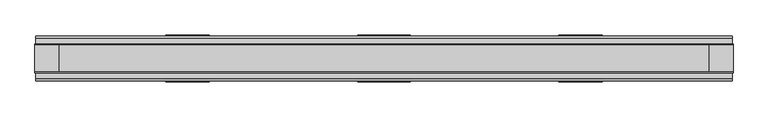
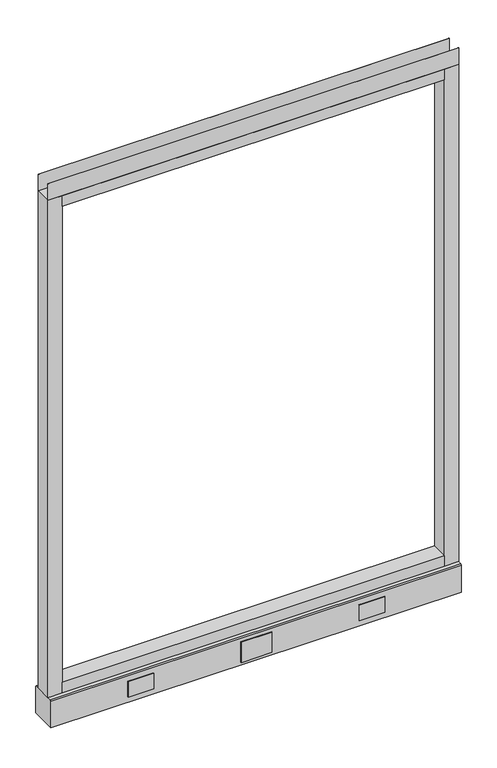
"""IFC4 building model written with IfcOpenShell, lengths in millimetres: furniture geometry."""

from ifc_helpers import new_model, si_unit, point, frame, frame_2d, origin, place, context, project, spatial, polyline, circle_curve, trimmed, segment, composite_curve, outline, extrude, source, transform, mapped, element, save
from ifc_brep_helpers import plane_surface, revolved_surface, advanced_brep


def furniture_805aba48(model_context):
    return source(origin(), model_context, "Body", "SolidModel", [
        advanced_brep(
        [(539.75, 0.0, 6.35), (565.15, 0.0, 6.35), (533.4, 0.0, 0.0), (571.5, 0.0, 0.0)],
        [
            (0, 1, circle_curve(frame((552.45, 0.0, 6.35), z_axis=(0.0, 0.0, 1.0), x_axis=(-1.0, 0.0, 0.0)), 12.7)),
            (1, 0, circle_curve(frame((552.45, 0.0, 6.35), z_axis=(0.0, 0.0, 1.0), x_axis=(1.0, 0.0, 0.0)), 12.7)),
            (2, 3, circle_curve(frame((552.45, 0.0, 0.0), z_axis=(0.0, 0.0, -1.0), x_axis=(1.0, 0.0, 0.0)), 19.05)),
            (3, 2, circle_curve(frame((552.45, 0.0, 0.0), z_axis=(0.0, 0.0, -1.0), x_axis=(-1.0, 0.0, 0.0)), 19.05)),
            (3, 1),
            (0, 2),
        ],
        [
            plane_surface(frame((552.45, 0.0, 6.35), z_axis=(0.0, 0.0, 1.0), x_axis=(0.0, -1.0, 0.0))),
            plane_surface(frame((552.45, 0.0, 0.0), z_axis=(0.0, 0.0, -1.0), x_axis=(0.0, -1.0, 0.0))),
            revolved_surface(polyline([(539.75, 0.0, 6.35), (533.4, 0.0, 0.0)]), (552.45, 0.0, 19.05), (0.0, 0.0, -1.0)),
            revolved_surface(polyline([(565.15, 0.0, 6.35), (571.5, 0.0, 0.0)]), (552.45, 0.0, 19.05), (0.0, 0.0, -1.0)),
        ],
        [
            (0, [[1, 2]]),
            (1, [[3, 4]]),
            (2, [[-4, 5, -1, 6]]),
            (3, [[-3, -6, -2, -5]]),
        ],
    ),
        advanced_brep(
        [(-565.15, 0.0, 6.35), (-539.75, 0.0, 6.35), (-571.5, 0.0, 0.0), (-533.4, 0.0, 0.0)],
        [
            (0, 1, circle_curve(frame((-552.45, 0.0, 6.35), z_axis=(0.0, 0.0, 1.0), x_axis=(-1.0, 0.0, 0.0)), 12.7)),
            (1, 0, circle_curve(frame((-552.45, 0.0, 6.35), z_axis=(0.0, 0.0, 1.0), x_axis=(1.0, 0.0, 0.0)), 12.7)),
            (2, 3, circle_curve(frame((-552.45, 0.0, 0.0), z_axis=(0.0, 0.0, -1.0), x_axis=(1.0, 0.0, 0.0)), 19.05)),
            (3, 2, circle_curve(frame((-552.45, 0.0, 0.0), z_axis=(0.0, 0.0, -1.0), x_axis=(-1.0, 0.0, 0.0)), 19.05)),
            (3, 1),
            (0, 2),
        ],
        [
            plane_surface(frame((-552.45, 0.0, 6.35), z_axis=(0.0, 0.0, 1.0), x_axis=(0.0, -1.0, 0.0))),
            plane_surface(frame((-552.45, 0.0, 0.0), z_axis=(0.0, 0.0, -1.0), x_axis=(0.0, -1.0, 0.0))),
            revolved_surface(polyline([(-565.15, 0.0, 6.35), (-571.5, 0.0, 0.0)]), (-552.45, 0.0, 19.05), (0.0, 0.0, -1.0)),
            revolved_surface(polyline([(-539.75, 0.0, 6.35), (-533.4, 0.0, 0.0)]), (-552.45, 0.0, 19.05), (0.0, 0.0, -1.0)),
        ],
        [
            (0, [[1, 2]]),
            (1, [[3, 4]]),
            (2, [[-4, 5, -1, 6]]),
            (3, [[-3, -6, -2, -5]]),
        ],
    ),
        extrude(outline(polyline([(381.0, 39.0921875), (304.8, 39.0921875), (304.8, 41.4020035), (381.0, 41.4020035), (381.0, 39.0921875)])), frame((0.0, 0.0, 32.512), z_axis=(0.0, 0.0, 1.0), x_axis=(1.0, 0.0, 0.0)), (0.0, 0.0, 1.0), 48.26),
        extrude(outline(polyline([(45.7708, 39.0921875), (-45.7708, 39.0921875), (-45.7708, 41.4020035), (45.7708, 41.4020035), (45.7708, 39.0921875)])), frame((0.0, 0.0, 23.8125), z_axis=(0.0, 0.0, 1.0), x_axis=(1.0, 0.0, 0.0)), (0.0, 0.0, 1.0), 63.5),
        extrude(outline(polyline([(-304.8, 39.0921875), (-381.0, 39.0921875), (-381.0, 41.4020035), (-304.8, 41.4020035), (-304.8, 39.0921875)])), frame((0.0, 0.0, 32.512), z_axis=(0.0, 0.0, 1.0), x_axis=(1.0, 0.0, 0.0)), (0.0, 0.0, 1.0), 48.26),
        extrude(outline(polyline([(381.0, -41.4019923), (304.8, -41.4019923), (304.8, -39.0921875), (381.0, -39.0921875), (381.0, -41.4019923)])), frame((0.0, 0.0, 32.512), z_axis=(0.0, 0.0, 1.0), x_axis=(1.0, 0.0, 0.0)), (0.0, 0.0, 1.0), 48.26),
        extrude(outline(polyline([(-304.8, -41.4019923), (-381.0, -41.4019923), (-381.0, -39.0921875), (-304.8, -39.0921875), (-304.8, -41.4019923)])), frame((0.0, 0.0, 32.512), z_axis=(0.0, 0.0, 1.0), x_axis=(1.0, 0.0, 0.0)), (0.0, 0.0, 1.0), 48.26),
        extrude(outline(polyline([(45.7708, -41.4019923), (-45.7708, -41.4019923), (-45.7708, -39.0921875), (45.7708, -39.0921875), (45.7708, -41.4019923)])), frame((0.0, 0.0, 23.8125), z_axis=(0.0, 0.0, 1.0), x_axis=(1.0, 0.0, 0.0)), (0.0, 0.0, 1.0), 63.5),
        extrude(outline(polyline([(609.6, -23.8125), (609.6, -25.4), (-609.6, -25.4), (-609.6, -23.8125), (609.6, -23.8125)])), frame((0.0, 0.0, 1661.033), z_axis=(0.0, 0.0, 1.0), x_axis=(1.0, 0.0, 0.0)), (0.0, 0.0, 1.0), 51.435),
        extrude(outline(polyline([(609.6, 25.4), (609.6, 23.8125), (-609.6, 23.8125), (-609.6, 25.4), (609.6, 25.4)])), frame((0.0, 0.0, 1661.033), z_axis=(0.0, 0.0, 1.0), x_axis=(1.0, 0.0, 0.0)), (0.0, 0.0, 1.0), 51.435),
        extrude(outline(polyline([(566.7375, -25.4), (-566.7375, -25.4), (-566.7375, 25.4), (566.7375, 25.4), (566.7375, -25.4)])), frame((0.0, 0.0, 1628.14), z_axis=(0.0, 0.0, 1.0), x_axis=(1.0, 0.0, 0.0)), (0.0, 0.0, 1.0), 32.893),
        extrude(outline(polyline([(566.7375, -25.4), (-566.7375, -25.4), (-566.7375, 25.4), (566.7375, 25.4), (566.7375, -25.4)])), frame((0.0, 0.0, 101.6), z_axis=(0.0, 0.0, 1.0), x_axis=(1.0, 0.0, 0.0)), (0.0, 0.0, 1.0), 32.893),
        extrude(outline(composite_curve([segment(trimmed(circle_curve(frame_2d((-552.45, 0.0)), 5.55625), [point((-558.00625, 0.0))], [point((-546.89375, 0.0))], False, "CARTESIAN"), True, "CONTINUOUS"), segment(trimmed(circle_curve(frame_2d((-552.45, 0.0)), 5.55625), [point((-546.89375, 0.0))], [point((-558.00625, 0.0))], False, "CARTESIAN"), True, "CONTINUOUS")], self_intersect=False)), frame((0.0, 0.0, 6.35), z_axis=(0.0, 0.0, 1.0), x_axis=(1.0, 0.0, 0.0)), (0.0, 0.0, 1.0), 7.9375),
        extrude(outline(composite_curve([segment(trimmed(circle_curve(frame_2d((552.45, 0.0)), 5.55625), [point((546.89375, 0.0))], [point((558.00625, 0.0))], False, "CARTESIAN"), True, "CONTINUOUS"), segment(trimmed(circle_curve(frame_2d((552.45, 0.0)), 5.55625), [point((558.00625, 0.0))], [point((546.89375, 0.0))], False, "CARTESIAN"), True, "CONTINUOUS")], self_intersect=False)), frame((0.0, 0.0, 6.35), z_axis=(0.0, 0.0, 1.0), x_axis=(1.0, 0.0, 0.0)), (0.0, 0.0, 1.0), 7.9375),
        extrude(outline(polyline([(-566.7375, -25.4), (-609.6, -25.4), (-609.6, 25.4), (-566.7375, 25.4), (-566.7375, -25.4)])), frame((0.0, 0.0, 101.6), z_axis=(0.0, 0.0, 1.0), x_axis=(1.0, 0.0, 0.0)), (0.0, 0.0, 1.0), 1559.433),
        extrude(outline(polyline([(609.6, -25.4), (566.7375, -25.4), (566.7375, 25.4), (609.6, 25.4), (609.6, -25.4)])), frame((0.0, 0.0, 101.6), z_axis=(0.0, 0.0, 1.0), x_axis=(1.0, 0.0, 0.0)), (0.0, 0.0, 1.0), 1559.433),
        extrude(outline(polyline([(-35.9171875, 101.6), (35.9171875, 101.6), (39.0921875, 98.425), (39.0921875, 14.2875), (-39.0921875, 14.2875), (-39.0921875, 98.425), (-35.9171875, 101.6)])), frame((-608.457, 0.0, 0.0), z_axis=(1.0, 0.0, 0.0), x_axis=(0.0, 1.0, 0.0)), (0.0, 0.0, 1.0), 1216.9140102),
    ])


if __name__ == "__main__":
    model = new_model("IFC4")
    model_context = context("Model", 3, world=origin())
    ifc_project = project(units=[si_unit("LENGTHUNIT", "METRE", prefix="MILLI")], contexts=[model_context])
    site = spatial("IfcSite", under=ifc_project)
    building = spatial("IfcBuilding", under=site)
    placement = place(None, origin())
    furniture_shape = furniture_805aba48(model_context)
    element("IfcFurniture", 1, at=placement, inside=building, context=model_context, shape_type="MappedRepresentation", body=[
        mapped(furniture_shape, transform((0.0, 0.0, 0.0), x_axis=(1.0, 0.0, 0.0), y_axis=(0.0, 1.0, 0.0), z_axis=(0.0, 0.0, 1.0))),
    ])
    save(model, "model.ifc")
